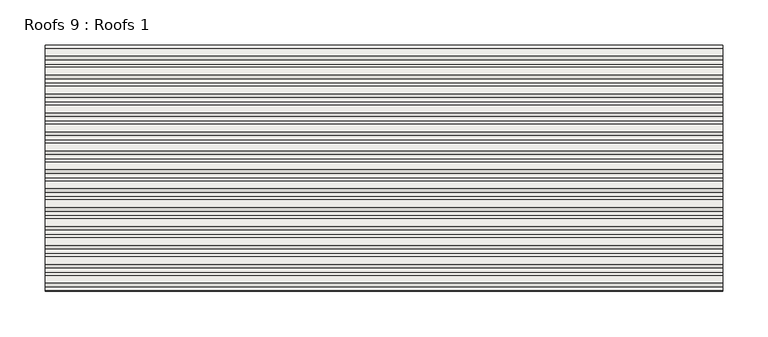
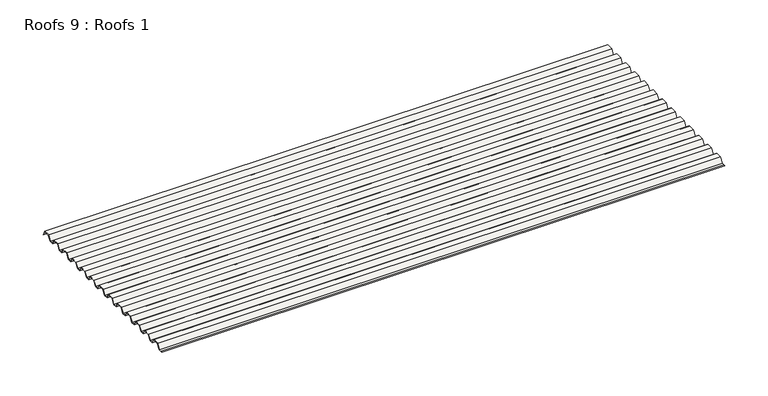
"""IFC4 building model written with IfcOpenShell, lengths in millimetres: roof geometry, Roofs 9 : Roofs 1."""

from ifc_helpers import new_model, si_unit, frame, origin, place, context, project, spatial, polyline, outline, extrude, source, transform, mapped, element, save


def roofs_9_roofs_1_b86ca1d8(model_context):
    return source(origin(), model_context, "Body", "SweptSolid", [
        extrude(outline(polyline([(-9498.8136811, 23.8967546), (-9504.1340331, 23.8967546), (-9502.6524582, 24.2936296), (-9499.0291486, 24.2936296), (-9494.907277, 30.639777), (-9486.2475422, 30.639777), (-9483.0145815, 24.2936296), (-9478.1529215, 24.2936296), (-9474.03105, 30.639777), (-9465.3713152, 30.639777), (-9462.1383544, 24.2936296), (-9457.2766945, 24.2936296), (-9453.1548229, 30.639777), (-9444.4950881, 30.639777), (-9441.2621273, 24.2936296), (-9436.4004674, 24.2936296), (-9432.2785958, 30.639777), (-9423.618861, 30.639777), (-9420.3859003, 24.2936296), (-9415.5242403, 24.2936296), (-9411.4023688, 30.639777), (-9402.742634, 30.639777), (-9399.5096732, 24.2936296), (-9394.6480132, 24.2936296), (-9390.5261417, 30.639777), (-9381.8664069, 30.639777), (-9378.6334461, 24.2936296), (-9373.7717862, 24.2936296), (-9369.6499146, 30.639777), (-9360.9901798, 30.639777), (-9357.7572191, 24.2936296), (-9352.8955591, 24.2936296), (-9348.7736876, 30.639777), (-9340.1139528, 30.639777), (-9336.880992, 24.2936296), (-9332.019332, 24.2936296), (-9327.8974605, 30.639777), (-9319.2377257, 30.639777), (-9316.0047649, 24.2936296), (-9311.143105, 24.2936296), (-9307.0212334, 30.639777), (-9298.3614986, 30.639777), (-9295.1285378, 24.2936296), (-9290.2668779, 24.2936296), (-9286.1450063, 30.639777), (-9277.4852716, 30.639777), (-9274.2523108, 24.2936296), (-9269.3906508, 24.2936296), (-9265.2687793, 30.639777), (-9256.6090445, 30.639777), (-9253.3760837, 24.2936296), (-9248.5144238, 24.2936296), (-9244.3925522, 30.639777), (-9235.7328174, 30.639777), (-9232.7757887, 24.8352711), (-9232.7430812, 23.8967546), (-9235.9760419, 30.242902), (-9244.1770848, 30.242902), (-9248.2989563, 23.8967546), (-9253.6193082, 23.8967546), (-9256.852269, 30.242902), (-9265.0533118, 30.242902), (-9269.1751834, 23.8967546), (-9274.4955353, 23.8967546), (-9277.7284961, 30.242902), (-9285.9295389, 30.242902), (-9290.0514104, 23.8967546), (-9295.3717624, 23.8967546), (-9298.6047232, 30.242902), (-9306.805766, 30.242902), (-9310.9276375, 23.8967546), (-9316.2479894, 23.8967546), (-9319.4809502, 30.242902), (-9327.681993, 30.242902), (-9331.8038646, 23.8967546), (-9337.1242165, 23.8967546), (-9340.3571773, 30.242902), (-9348.5582201, 30.242902), (-9352.6800917, 23.8967546), (-9358.0004436, 23.8967546), (-9361.2334044, 30.242902), (-9369.4344472, 30.242902), (-9373.5563187, 23.8967546), (-9378.8766707, 23.8967546), (-9382.1096314, 30.242902), (-9390.3106742, 30.242902), (-9394.4325458, 23.8967546), (-9399.7528977, 23.8967546), (-9402.9858585, 30.242902), (-9411.1869013, 30.242902), (-9415.3087729, 23.8967546), (-9420.6291248, 23.8967546), (-9423.8620856, 30.242902), (-9432.0631284, 30.242902), (-9436.1849999, 23.8967546), (-9441.5053519, 23.8967546), (-9444.7383126, 30.242902), (-9452.9393554, 30.242902), (-9457.061227, 23.8967546), (-9462.3815789, 23.8967546), (-9465.6145397, 30.242902), (-9473.8155825, 30.242902), (-9477.9374541, 23.8967546), (-9483.257806, 23.8967546), (-9486.4907668, 30.242902), (-9494.6918096, 30.242902), (-9498.8136811, 23.8967546)])), frame((-2535.9698399, 0.0, 0.0), z_axis=(1.0, 0.0, 0.0), x_axis=(0.0, 1.0, 0.0)), (0.0, 0.0, 1.0), 747.2045751),
    ])


if __name__ == "__main__":
    model = new_model("IFC4")
    model_context = context("Model", 3, world=origin())
    ifc_project = project(units=[si_unit("LENGTHUNIT", "METRE", prefix="MILLI")], contexts=[model_context])
    site = spatial("IfcSite", under=ifc_project)
    building = spatial("IfcBuilding", under=site)
    placement = place(None, origin())
    roofs_9_roofs_1_shape = roofs_9_roofs_1_b86ca1d8(model_context)
    element("IfcRoof", 1, ObjectType="Roofs 9 : Roofs 1", at=placement, inside=building, context=model_context, shape_type="MappedRepresentation", body=[
        mapped(roofs_9_roofs_1_shape, transform((0.0, 0.0, 0.0), x_axis=(1.0, 0.0, 0.0), y_axis=(0.0, 1.0, 0.0), z_axis=(0.0, 0.0, 1.0))),
    ])
    save(model, "model.ifc")
